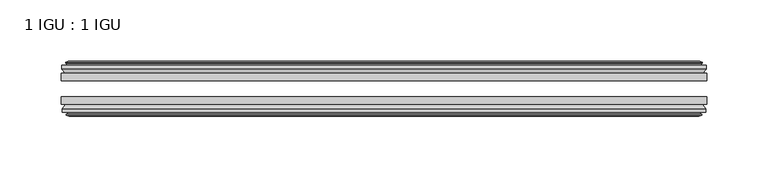
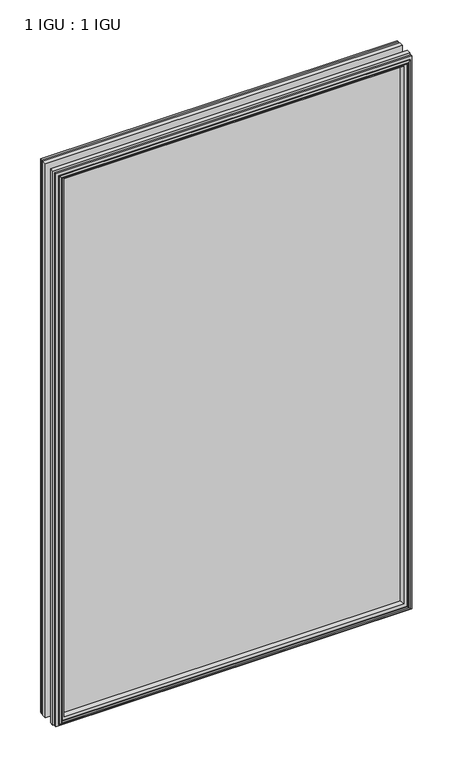
"""IFC4 building model written with IfcOpenShell, lengths in millimetres: plate geometry, 1 IGU : 1 IGU."""

from ifc_helpers import new_model, si_unit, frame, origin, place, context, project, spatial, polyline, outline, extrude, faceted_brep, source, transform, mapped, element, save


def plate_1_igu_1_igu_5919d61c(model_context):
    return source(origin(), model_context, "Body", "SolidModel", [
        extrude(outline(polyline([(263.5091249, -19.5460937), (263.5091249, -25.8960938), (-263.5091249, -25.8960938), (-263.5091249, -19.5460937), (263.5091249, -19.5460937)])), frame((0.0, 0.0, -12.7), z_axis=(0.0, 0.0, 1.0), x_axis=(1.0, 0.0, 0.0)), (0.0, 0.0, 1.0), 863.6104046),
        extrude(outline(polyline([(-263.5091249, -44.9460938), (-263.5091249, -38.9186737), (263.5091249, -38.9186737), (263.5091249, -44.9460938), (-263.5091249, -44.9460938)])), frame((0.0, 0.0, -12.7), z_axis=(0.0, 0.0, 1.0), x_axis=(1.0, 0.0, 0.0)), (0.0, 0.0, 1.0), 863.6104046),
        faceted_brep([(-257.9211249, -53.6762907, 845.3224046), (-258.3021249, -51.2960937, 845.7034046), (-258.3021249, -51.2960937, -7.493), (-257.9211249, -53.6762907, -7.112), (-259.3366539, -53.2163575, 846.7379337), (-259.3366539, -53.2163575, -8.5275291), (-259.3366539, -54.0175717, 846.7379337), (-259.3366539, -54.0175717, -8.5275291), (-257.1591249, -54.7250937, 844.5604046), (-257.1591249, -54.7250937, -6.35), (-254.9815958, -54.0175717, 842.3828756), (-254.9815958, -54.0175717, -4.1724709), (-254.9815958, -53.2163575, 842.3828756), (-254.9815958, -53.2163575, -4.1724709), (-256.3971249, -53.6762907, 843.7984046), (-256.3971249, -53.6762907, -5.588), (-256.0161249, -51.2960937, 843.4174046), (-256.0161249, -51.2960937, -5.207), (-249.0914068, -44.9460937, 836.4926865), (-250.8091249, -51.2960937, 838.2104046), (-250.8091249, -51.2960937, 0.0), (-249.0914068, -44.9460937, 1.7177181), (-262.7471249, -48.3496937, 850.1484046), (-259.9127827, -44.9460937, 847.3140624), (-259.9127827, -44.9460937, -9.1036578), (-262.7471249, -48.3496937, -11.938), (-262.7471249, -51.2960937, 850.1484046), (-262.7471249, -51.2960937, -11.938), (258.3021249, -51.2960938, -7.493), (257.9211249, -53.6762907, -7.112), (259.3366539, -53.2163575, -8.5275291), (259.3366539, -54.0175717, -8.5275291), (257.1591249, -54.7250937, -6.35), (254.9815958, -54.0175717, -4.1724709), (254.9815958, -53.2163575, -4.1724709), (256.3971249, -53.6762907, -5.588), (256.0161249, -51.2960937, -5.207), (250.8091249, -51.2960937, 0.0), (249.0914068, -44.9460937, 1.7177181), (259.9127827, -44.9460937, -9.1036578), (262.7471249, -48.3496937, -11.938), (262.7471249, -51.2960938, -11.938), (258.3021249, -51.2960938, 845.7034046), (257.9211249, -53.6762907, 845.3224046), (259.3366539, -53.2163575, 846.7379337), (259.3366539, -54.0175717, 846.7379337), (257.1591249, -54.7250937, 844.5604046), (254.9815958, -54.0175717, 842.3828756), (254.9815958, -53.2163575, 842.3828756), (256.3971249, -53.6762907, 843.7984046), (256.0161249, -51.2960937, 843.4174046), (250.8091249, -51.2960937, 838.2104046), (249.0914068, -44.9460937, 836.4926865), (259.9127827, -44.9460937, 847.3140624), (262.7471249, -48.3496937, 850.1484046), (262.7471249, -51.2960938, 850.1484046)], [[[0, 1, 2, 3]], [[4, 0, 3, 5]], [[6, 4, 5, 7]], [[8, 6, 7, 9]], [[10, 8, 9, 11]], [[12, 10, 11, 13]], [[14, 12, 13, 15]], [[16, 14, 15, 17]], [[18, 19, 20, 21]], [[22, 23, 24, 25]], [[26, 22, 25, 27]], [[3, 2, 28, 29]], [[5, 3, 29, 30]], [[7, 5, 30, 31]], [[9, 7, 31, 32]], [[11, 9, 32, 33]], [[13, 11, 33, 34]], [[15, 13, 34, 35]], [[17, 15, 35, 36]], [[21, 20, 37, 38]], [[25, 24, 39, 40]], [[27, 25, 40, 41]], [[29, 28, 42, 43]], [[30, 29, 43, 44]], [[31, 30, 44, 45]], [[32, 31, 45, 46]], [[33, 32, 46, 47]], [[34, 33, 47, 48]], [[35, 34, 48, 49]], [[36, 35, 49, 50]], [[38, 37, 51, 52]], [[40, 39, 53, 54]], [[41, 40, 54, 55]], [[27, 41, 55, 26], [1, 42, 28, 2]], [[43, 42, 1, 0]], [[44, 43, 0, 4]], [[45, 44, 4, 6]], [[46, 45, 6, 8]], [[47, 46, 8, 10]], [[48, 47, 10, 12]], [[49, 48, 12, 14]], [[50, 49, 14, 16]], [[17, 36, 50, 16], [19, 51, 37, 20]], [[52, 51, 19, 18]], [[23, 53, 39, 24], [21, 38, 52, 18]], [[54, 53, 23, 22]], [[55, 54, 22, 26]]]),
        faceted_brep([(-260.4334827, -19.5460937, 847.8347624), (-263.2678249, -16.1424937, 850.6691046), (-263.2678249, -16.1424937, -12.4587), (-260.4334827, -19.5460937, -9.6243578), (-251.3298249, -13.1960937, 838.7311046), (-249.6121068, -19.5460937, 837.0133865), (-249.6121068, -19.5460937, 1.1970181), (-251.3298249, -13.1960937, -0.5207), (-256.9178249, -10.8158968, 844.3191046), (-256.5368249, -13.1960937, 843.9381046), (-256.5368249, -13.1960937, -5.7277), (-256.9178249, -10.8158968, -6.1087), (-255.5022958, -11.27583, 842.9035756), (-255.5022958, -11.27583, -4.6931709), (-255.5022958, -10.4746158, 842.9035756), (-255.5022958, -10.4746158, -4.6931709), (-257.6798249, -9.7670937, 845.0811046), (-257.6798249, -9.7670937, -6.8707), (-259.8573539, -10.4746158, 847.2586337), (-259.8573539, -10.4746158, -9.0482291), (-259.8573539, -11.27583, 847.2586337), (-259.8573539, -11.27583, -9.0482291), (-258.4418249, -10.8158968, 845.8431046), (-258.4418249, -10.8158968, -7.6327), (-258.8228249, -13.1960937, 846.2241046), (-258.8228249, -13.1960937, -8.0137), (-263.2678249, -13.1960937, 850.6691046), (-263.2678249, -13.1960937, -12.4587), (263.2678249, -16.1424937, -12.4587), (260.4334827, -19.5460937, -9.6243578), (249.6121068, -19.5460937, 1.1970181), (251.3298249, -13.1960937, -0.5207), (256.5368249, -13.1960937, -5.7277), (256.9178249, -10.8158968, -6.1087), (255.5022958, -11.27583, -4.6931709), (255.5022958, -10.4746158, -4.6931709), (257.6798249, -9.7670937, -6.8707), (259.8573539, -10.4746158, -9.0482291), (259.8573539, -11.27583, -9.0482291), (258.4418249, -10.8158968, -7.6327), (258.8228249, -13.1960937, -8.0137), (263.2678249, -13.1960937, -12.4587), (263.2678249, -16.1424937, 850.6691046), (260.4334827, -19.5460937, 847.8347624), (249.6121068, -19.5460937, 837.0133865), (251.3298249, -13.1960937, 838.7311046), (256.5368249, -13.1960937, 843.9381046), (256.9178249, -10.8158968, 844.3191046), (255.5022958, -11.27583, 842.9035756), (255.5022958, -10.4746158, 842.9035756), (257.6798249, -9.7670937, 845.0811046), (259.8573539, -10.4746158, 847.2586337), (259.8573539, -11.27583, 847.2586337), (258.4418249, -10.8158968, 845.8431046), (258.8228249, -13.1960937, 846.2241046), (263.2678249, -13.1960937, 850.6691046)], [[[0, 1, 2, 3]], [[4, 5, 6, 7]], [[8, 9, 10, 11]], [[12, 8, 11, 13]], [[14, 12, 13, 15]], [[16, 14, 15, 17]], [[18, 16, 17, 19]], [[20, 18, 19, 21]], [[22, 20, 21, 23]], [[24, 22, 23, 25]], [[1, 26, 27, 2]], [[3, 2, 28, 29]], [[7, 6, 30, 31]], [[11, 10, 32, 33]], [[13, 11, 33, 34]], [[15, 13, 34, 35]], [[17, 15, 35, 36]], [[19, 17, 36, 37]], [[21, 19, 37, 38]], [[23, 21, 38, 39]], [[25, 23, 39, 40]], [[2, 27, 41, 28]], [[29, 28, 42, 43]], [[31, 30, 44, 45]], [[33, 32, 46, 47]], [[34, 33, 47, 48]], [[35, 34, 48, 49]], [[36, 35, 49, 50]], [[37, 36, 50, 51]], [[38, 37, 51, 52]], [[39, 38, 52, 53]], [[40, 39, 53, 54]], [[28, 41, 55, 42]], [[43, 42, 1, 0]], [[3, 29, 43, 0], [5, 44, 30, 6]], [[45, 44, 5, 4]], [[9, 46, 32, 10], [7, 31, 45, 4]], [[47, 46, 9, 8]], [[48, 47, 8, 12]], [[49, 48, 12, 14]], [[50, 49, 14, 16]], [[51, 50, 16, 18]], [[52, 51, 18, 20]], [[53, 52, 20, 22]], [[54, 53, 22, 24]], [[26, 55, 41, 27], [25, 40, 54, 24]], [[42, 55, 26, 1]]]),
    ])


if __name__ == "__main__":
    model = new_model("IFC4")
    model_context = context("Model", 3, world=origin())
    ifc_project = project(units=[si_unit("LENGTHUNIT", "METRE", prefix="MILLI")], contexts=[model_context])
    site = spatial("IfcSite", under=ifc_project)
    building = spatial("IfcBuilding", under=site)
    placement = place(None, origin())
    plate_1_igu_1_igu_shape = plate_1_igu_1_igu_5919d61c(model_context)
    element("IfcPlate", 1, ObjectType="1 IGU : 1 IGU", at=placement, inside=building, context=model_context, shape_type="MappedRepresentation", body=[
        mapped(plate_1_igu_1_igu_shape, transform((0.0, 0.0, 0.0), x_axis=(1.0, 0.0, 0.0), y_axis=(0.0, 1.0, 0.0), z_axis=(0.0, 0.0, 1.0))),
    ])
    save(model, "model.ifc")
